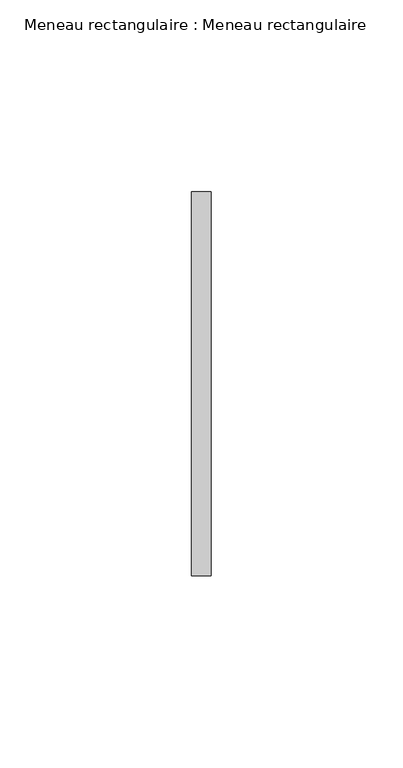
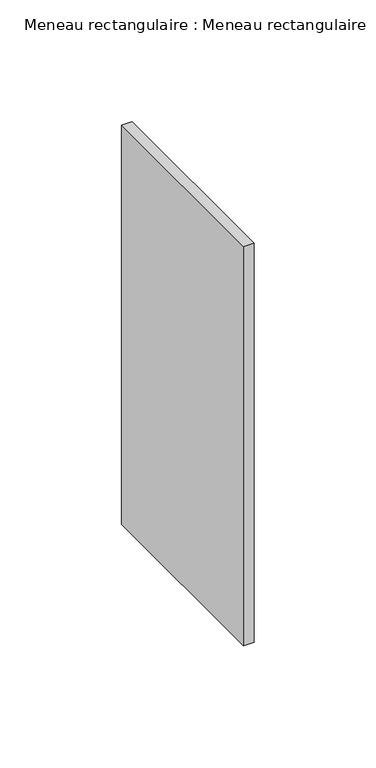
"""IFC4 building model written with IfcOpenShell, lengths in millimetres: member geometry, Meneau rectangulaire : Meneau rectangulaire."""

import ifcopenshell
import ifcopenshell.guid

model = None  # the IFC model being written
_history = None  # IfcOwnerHistory: only IFC2X3 demands one
_inside = {}  # id of a spatial element -> (the spatial element, [elements in it])
_under = {}  # id of a project, library or spatial element -> (it, [spatial elements below it])
_declared = {}  # id of a project -> (the project, [libraries it declares])
_typed = {}  # id of a type object -> (the type object, [elements of that type])
_made_of = {}  # id of a material, layer set ... -> (it, [elements and type objects made of it])


def new_model(schema):
    """Start an empty IFC model of exactly this schema.

    Asked for "IFC4X3", IfcOpenShell would pick the latest addendum, in which some entities
    have other attributes; the version numbers below select the first issue.
    IFC2X3 requires an IfcOwnerHistory on every rooted entity: one is made here for all.
    """
    global model, _history
    if schema == "IFC4X3":
        model = ifcopenshell.file(schema_version=(4, 3, 0, 0))
    else:
        model = ifcopenshell.file(schema=schema)
    _inside.clear()
    _under.clear()
    _declared.clear()
    _typed.clear()
    _made_of.clear()
    _history = None
    if model.schema == "IFC2X3":
        org = make("IfcOrganization", Name="unknown")
        user = make(
            "IfcPersonAndOrganization",
            ThePerson=make("IfcPerson", FamilyName="unknown"),
            TheOrganization=org,
        )
        app = make(
            "IfcApplication",
            ApplicationDeveloper=org,
            Version="unknown",
            ApplicationFullName="unknown",
            ApplicationIdentifier="unknown",
        )
        _history = make(
            "IfcOwnerHistory",
            OwningUser=user,
            OwningApplication=app,
            ChangeAction="ADDED",
            CreationDate=0,
        )
    return model


def make(cls, **values):
    """One entity of the class cls with the attributes given. An attribute that is None is left unset."""
    return model.create_entity(
        cls, **{name: value for name, value in values.items() if value is not None}
    )


def rooted(cls, **values):
    """An entity with a GlobalId (a new one), such as an element, a storey or a relation."""
    return make(cls, GlobalId=ifcopenshell.guid.new(), OwnerHistory=_history, **values)


def si_unit(unit_type, name, prefix=None):
    """IfcSIUnit, for example si_unit("LENGTHUNIT", "METRE", prefix="MILLI")."""
    return make("IfcSIUnit", UnitType=unit_type, Prefix=prefix, Name=name)


def assignment(units):
    """IfcUnitAssignment: the units of a project."""
    return None if units is None else make("IfcUnitAssignment", Units=units)


def point(xyz):
    """IfcCartesianPoint."""
    return None if xyz is None else make("IfcCartesianPoint", Coordinates=xyz)


def direction(xyz):
    """IfcDirection."""
    return None if xyz is None else make("IfcDirection", DirectionRatios=xyz)


def frame(location, z_axis=None, x_axis=None):
    """IfcAxis2Placement3D, a coordinate frame: its origin and axes. An axis left out is left unset."""
    return make(
        "IfcAxis2Placement3D",
        Location=point(location),
        Axis=direction(z_axis),
        RefDirection=direction(x_axis),
    )


def origin():
    """The frame at (0, 0, 0) with its axes left unset."""
    return frame((0.0, 0.0, 0.0))


def place(relative_to, where):
    """IfcLocalPlacement: puts the frame where relative to a parent placement (None: the world)."""
    return make(
        "IfcLocalPlacement", PlacementRelTo=relative_to, RelativePlacement=where
    )


def context(
    kind, dimensions, precision=None, world=None, true_north=None, identifier=None
):
    """IfcGeometricRepresentationContext, for example the 3D "Model" context."""
    return make(
        "IfcGeometricRepresentationContext",
        ContextIdentifier=identifier,
        ContextType=kind,
        CoordinateSpaceDimension=dimensions,
        Precision=precision,
        WorldCoordinateSystem=world,
        TrueNorth=true_north,
    )


def project(units=None, contexts=None):
    """IfcProject with its units and contexts."""
    return rooted(
        "IfcProject",
        Name="project",
        RepresentationContexts=contexts,
        UnitsInContext=assignment(units),
    )


def spatial(cls, under=None, at=None, **own):
    """A site, building, storey or space (cls), placed at a placement, below another one or the project."""
    s = rooted(cls, ObjectPlacement=at, **own)
    if under is not None:
        _under.setdefault(under.id(), (under, []))[1].append(s)
    return s


def polyline(points):
    """IfcPolyline through the points."""
    return make("IfcPolyline", Points=[point(p) for p in points])


def outline(outer, holes=None, kind="AREA"):
    """IfcArbitraryClosedProfileDef: a profile drawn as a closed curve; with holes, ...WithVoids."""
    if holes is None:
        return make("IfcArbitraryClosedProfileDef", ProfileType=kind, OuterCurve=outer)
    return make(
        "IfcArbitraryProfileDefWithVoids",
        ProfileType=kind,
        OuterCurve=outer,
        InnerCurves=holes,
    )


def extrude(swept, where, along, depth):
    """IfcExtrudedAreaSolid: the profile swept, set in the frame where, extruded along a direction by depth."""
    return make(
        "IfcExtrudedAreaSolid",
        SweptArea=swept,
        Position=where,
        ExtrudedDirection=direction(along),
        Depth=depth,
    )


def shape(context_of_items, identifier, shape_type, items):
    """IfcShapeRepresentation: the items that make up one representation, for example the "Body"."""
    return make(
        "IfcShapeRepresentation",
        ContextOfItems=context_of_items,
        RepresentationIdentifier=identifier,
        RepresentationType=shape_type,
        Items=items,
    )


def source(mapping_origin, context_of_items, identifier, shape_type, items):
    """IfcRepresentationMap: a shape defined once, which mapped items show again and again."""
    return make(
        "IfcRepresentationMap",
        MappingOrigin=mapping_origin,
        MappedRepresentation=shape(context_of_items, identifier, shape_type, items),
    )


def transform(
    local_origin,
    x_axis=None,
    y_axis=None,
    z_axis=None,
    scale=None,
    scale2=None,
    scale3=None,
    uniform=True,
):
    """IfcCartesianTransformationOperator3D, or its non-uniform kind. x_axis, y_axis, z_axis: its Axis1, 2, 3."""
    if uniform:
        return make(
            "IfcCartesianTransformationOperator3D",
            Axis1=direction(x_axis),
            Axis2=direction(y_axis),
            LocalOrigin=point(local_origin),
            Scale=scale,
            Axis3=direction(z_axis),
        )
    return make(
        "IfcCartesianTransformationOperator3DnonUniform",
        Axis1=direction(x_axis),
        Axis2=direction(y_axis),
        LocalOrigin=point(local_origin),
        Scale=scale,
        Axis3=direction(z_axis),
        Scale2=scale2,
        Scale3=scale3,
    )


def mapped(mapping_source, mapping_target):
    """IfcMappedItem: shows the shape of a source again, moved by a transform."""
    return make(
        "IfcMappedItem", MappingSource=mapping_source, MappingTarget=mapping_target
    )


def made_of(thing, what):
    """Note that an element or type object is made of a material, layer set ...; save() writes the relation."""
    if what is not None:
        _made_of.setdefault(what.id(), (what, []))[1].append(thing)
    return thing


def element(
    cls,
    number,
    at=None,
    inside=None,
    cuts=None,
    type_object=None,
    material=None,
    context=None,
    identifier="Body",
    shape_type=None,
    held_by="IfcProductDefinitionShape",
    body=None,
    shapes=None,
    **own,
):
    """One element of the class cls, such as IfcWall. Its Tag is "e" and its number.

    at: its placement. inside: the storey or other place that contains it. cuts: it is an
    opening in that element (IfcRelVoidsElement). A single representation is given by context,
    identifier, shape_type and body (its items); several are given by shapes. held_by: the class
    of the entity that holds the representations. save() writes the other relations.
    """
    e = rooted(cls, Tag="e%d" % number, ObjectPlacement=at, **own)
    if body is not None:
        shapes = [shape(context, identifier, shape_type, body)]
    if shapes is not None:
        e.Representation = make(held_by, Representations=shapes)
    if inside is not None:
        _inside.setdefault(inside.id(), (inside, []))[1].append(e)
    if cuts is not None:
        rooted(
            "IfcRelVoidsElement", RelatingBuildingElement=cuts, RelatedOpeningElement=e
        )
    if type_object is not None:
        _typed.setdefault(type_object.id(), (type_object, []))[1].append(e)
    return made_of(e, material)


def aggregate(whole, parts):
    """IfcRelAggregates: a whole, such as a stair, and the parts it consists of."""
    return rooted("IfcRelAggregates", RelatingObject=whole, RelatedObjects=parts)


def save(model, path):
    """Write the relations noted so far, then the file.

    IfcRelAggregates (storeys below a building ...), IfcRelContainedInSpatialStructure (elements
    in a storey), IfcRelDefinesByType, IfcRelAssociatesMaterial and IfcRelDeclares: one each for
    every whole, place, type object, material and project.
    """
    for whole, parts in _under.values():
        aggregate(whole, parts)
    for where, things in _inside.values():
        rooted(
            "IfcRelContainedInSpatialStructure",
            RelatedElements=things,
            RelatingStructure=where,
        )
    for kind, things in _typed.values():
        rooted("IfcRelDefinesByType", RelatedObjects=things, RelatingType=kind)
    for what, things in _made_of.values():
        rooted("IfcRelAssociatesMaterial", RelatedObjects=things, RelatingMaterial=what)
    for by, libraries in _declared.values():
        rooted("IfcRelDeclares", RelatingContext=by, RelatedDefinitions=libraries)
    model.write(path)


def meneau_rectangulaire_meneau_rectangulaire_08cd5485(model_context):
    return source(origin(), model_context, "Body", "SweptSolid", [
        extrude(outline(polyline([(2.5, 0.0), (-2.5, 0.0), (-2.5, 100.0), (2.5, 100.0), (2.5, 0.0)])), frame((0.0, 0.0, -200.0), z_axis=(0.0, 0.0, 1.0), x_axis=(1.0, 0.0, 0.0)), (0.0, 0.0, 1.0), 200.0),
    ])


if __name__ == "__main__":
    model = new_model("IFC4")
    model_context = context("Model", 3, world=origin())
    ifc_project = project(units=[si_unit("LENGTHUNIT", "METRE", prefix="MILLI")], contexts=[model_context])
    site = spatial("IfcSite", under=ifc_project)
    building = spatial("IfcBuilding", under=site)
    placement = place(None, origin())
    meneau_rectangulaire_meneau_rectangulaire_shape = meneau_rectangulaire_meneau_rectangulaire_08cd5485(model_context)
    element("IfcMember", 1, ObjectType="Meneau rectangulaire : Meneau rectangulaire", at=placement, inside=building, context=model_context, shape_type="MappedRepresentation", body=[
        mapped(meneau_rectangulaire_meneau_rectangulaire_shape, transform((0.0, 0.0, 0.0), x_axis=(1.0, 0.0, 0.0), y_axis=(0.0, 1.0, 0.0), z_axis=(0.0, 0.0, 1.0))),
    ])
    save(model, "model.ifc")
